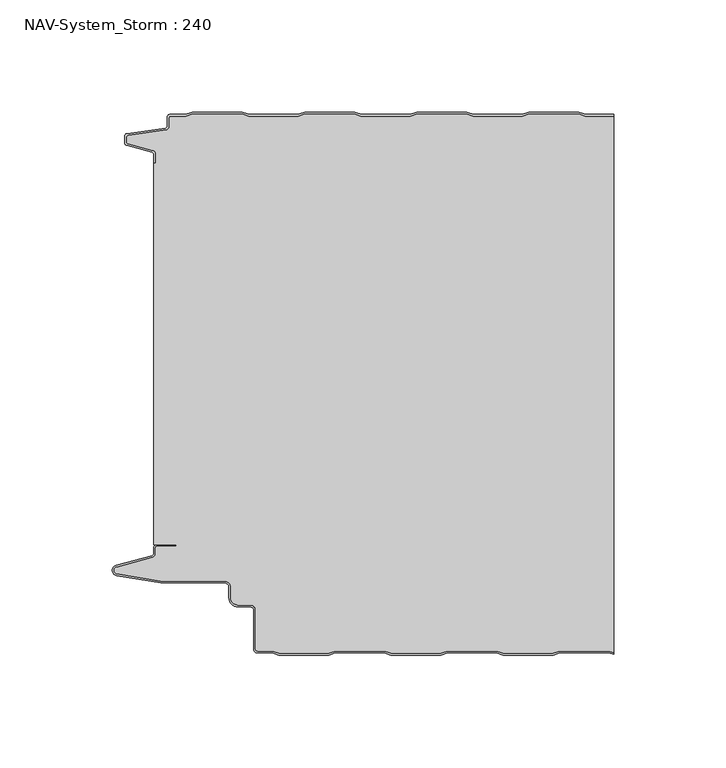
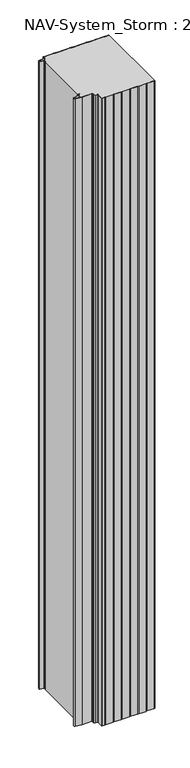
"""IFC4 building model written with IfcOpenShell, lengths in millimetres: plate geometry, NAV-System_Storm : 240."""

from ifc_helpers import new_model, si_unit, point, frame, frame_2d, origin, origin_with_axes, place, context, project, spatial, polyline, circle_curve, trimmed, segment, composite_curve, outline, extrude, source, transform, mapped, element, save
from ifc_brep_helpers import plane_surface, cylinder_surface, revolved_surface, advanced_brep


def nav_system_storm_240_f7c070b3(model_context):
    return source(origin(), model_context, "Body", "SolidModel", [
        extrude(outline(composite_curve([segment(polyline([(86.8684174, -0.8), (83.8684174, 0.2), (61.8684174, 0.2), (58.8684174, -0.8), (36.8684174, -0.8), (33.8684174, 0.2), (11.8684174, 0.2), (8.8684174, -0.8), (-13.1315826, -0.8), (-16.1315826, 0.2), (-38.1315826, 0.2), (-41.1315826, -0.8), (-63.1315826, -0.8), (-66.1315826, 0.2), (-88.1315826, 0.2), (-91.1315826, -0.8), (-98.2000153, -0.8)]), True, "CONTINUOUS"), segment(trimmed(circle_curve(frame_2d((-98.2000153, -1.3)), 0.5), [point((-98.2000153, -0.8))], [point((-98.7000153, -1.3))], True, "CARTESIAN"), True, "CONTINUOUS"), segment(polyline([(-98.7000153, -1.3), (-98.7000153, -5.3964683)]), True, "CONTINUOUS"), segment(trimmed(circle_curve(frame_2d((-100.2000153, -5.3964683)), 1.5), [point((-98.7000153, -5.3964683))], [point((-99.991136, -6.8818536))], False, "CARTESIAN"), True, "CONTINUOUS"), segment(polyline([(-99.991136, -6.8818536), (-116.9352336, -9.2645825)]), True, "CONTINUOUS"), segment(trimmed(circle_curve(frame_2d((-116.8115062, -10.1444347)), 0.8885091), [point((-116.9352336, -9.2645825))], [point((-117.7000153, -10.1444347))], True, "CARTESIAN"), True, "CONTINUOUS"), segment(polyline([(-117.7000153, -10.1444347), (-117.7000153, -12.46995)]), True, "CONTINUOUS"), segment(trimmed(circle_curve(frame_2d((-117.1000153, -12.46995)), 0.6), [point((-117.7000153, -12.46995))], [point((-117.2553067, -13.0495055))], True, "CARTESIAN"), True, "CONTINUOUS"), segment(polyline([(-117.2553067, -13.0495055), (-105.8785784, -16.0978907)]), True, "CONTINUOUS"), segment(trimmed(circle_curve(frame_2d((-106.266807, -17.5467794)), 1.5), [point((-105.8785784, -16.0978907))], [point((-104.766807, -17.5467794))], False, "CARTESIAN"), True, "CONTINUOUS"), segment(polyline([(-104.766807, -17.5467794), (-104.766807, -21.623446), (-105.566807, -21.623446), (-105.566807, -17.5467794)]), True, "CONTINUOUS"), segment(trimmed(circle_curve(frame_2d((-106.266807, -17.5467794)), 0.7), [point((-105.566807, -17.5467794))], [point((-106.0856337, -16.8706313))], True, "CARTESIAN"), True, "CONTINUOUS"), segment(polyline([(-106.0856337, -16.8706313), (-117.53648, -13.8023863)]), True, "CONTINUOUS"), segment(trimmed(circle_curve(frame_2d((-117.2000153, -12.5466827)), 1.3), [point((-117.53648, -13.8023863))], [point((-118.5000153, -12.5466827))], False, "CARTESIAN"), True, "CONTINUOUS"), segment(polyline([(-118.5000153, -12.5466827), (-118.5000153, -9.8067363)]), True, "CONTINUOUS"), segment(trimmed(circle_curve(frame_2d((-117.2000153, -9.8067363)), 1.3), [point((-118.5000153, -9.8067363))], [point((-117.3810439, -8.5194024))], False, "CARTESIAN"), True, "CONTINUOUS"), segment(polyline([(-117.3810439, -8.5194024), (-100.1025383, -6.0896481)]), True, "CONTINUOUS"), segment(trimmed(circle_curve(frame_2d((-100.2000153, -5.3964683)), 0.7), [point((-100.1025383, -6.0896481))], [point((-99.5000153, -5.3964683))], True, "CARTESIAN"), True, "CONTINUOUS"), segment(polyline([(-99.5000153, -5.3964683), (-99.5000153, -1.3)]), True, "CONTINUOUS"), segment(trimmed(circle_curve(frame_2d((-98.2000153, -1.3)), 1.3), [point((-99.5000153, -1.3))], [point((-98.2000153, 0.0))], False, "CARTESIAN"), True, "CONTINUOUS"), segment(polyline([(-98.2000153, 0.0), (-91.2614047, 0.0), (-88.2614047, 1.0), (-66.0017605, 1.0), (-63.0017605, 0.0), (-41.2614047, 0.0), (-38.2614047, 1.0), (-16.0017605, 1.0), (-13.0017605, 0.0), (8.7385953, 0.0), (11.7385953, 1.0), (33.9982395, 1.0), (36.9982395, 0.0), (58.7385953, 0.0), (61.7385953, 1.0), (83.9982395, 1.0), (86.9982395, 0.0), (99.5, 0.0), (99.5, -0.8), (86.8684174, -0.8)]), True, "CONTINUOUS")], self_intersect=False)), origin_with_axes(), (0.0, 0.0, 1.0), 2000.0),
        advanced_brep(
        [(86.8684327, -0.8, 2000.0), (83.8684327, 0.2, 2000.0), (61.8684327, 0.2, 2000.0), (58.8684327, -0.8, 2000.0), (36.8684327, -0.8, 2000.0), (33.8684327, 0.2, 2000.0), (11.8684327, 0.2, 2000.0), (8.8684327, -0.8, 2000.0), (-13.1315673, -0.8, 2000.0), (-16.1315673, 0.2, 2000.0), (-38.1315673, 0.2, 2000.0), (-41.1315673, -0.8, 2000.0), (-63.1315673, -0.8, 2000.0), (-66.1315673, 0.2, 2000.0), (-88.1315673, 0.2, 2000.0), (-91.1315673, -0.8, 2000.0), (-98.2, -0.8, 2000.0), (-98.7, -1.3, 2000.0), (-98.7, -5.3964683, 2000.0), (-99.9911207, -6.8818536, 2000.0), (-116.9352183, -9.2645825, 2000.0), (-117.7, -10.1444347, 2000.0), (-117.7, -12.46995, 2000.0), (-117.2552914, -13.0495055, 2000.0), (-105.8785632, -16.0978907, 2000.0), (-104.7667917, -17.5467794, 2000.0), (-104.7667917, -21.623446, 2000.0), (-105.5667917, -21.623446, 2000.0), (-105.5667917, -191.7763253, 2000.0), (-95.5330891, -191.7763253, 2000.0), (-95.5330891, -192.5763253, 2000.0), (-104.0330891, -192.5763253, 2000.0), (-104.7330891, -193.2763253, 2000.0), (-104.7330891, -195.8624192, 2000.0), (-105.9560377, -197.4561968, 2000.0), (-122.0574978, -201.8079393, 2000.0), (-121.9021816, -204.8341065, 2000.0), (-102.4332334, -208.0040626, 2000.0), (-73.9661198, -208.0040626, 2000.0), (-71.1661198, -210.806803, 2000.0), (-71.1661198, -215.5, 2000.0), (-67.9661198, -218.7, 2000.0), (-62.4661198, -218.7, 2000.0), (-60.1661198, -221.0, 2000.0), (-60.1661198, -238.2484002, 2000.0), (-59.2161211, -239.2, 2000.0), (-52.5977024, -239.2, 2000.0), (-49.5977024, -240.2, 2000.0), (-27.5977024, -240.2, 2000.0), (-24.5977024, -239.2, 2000.0), (-2.5977024, -239.2, 2000.0), (0.4022976, -240.2, 2000.0), (22.4022976, -240.2, 2000.0), (25.4022976, -239.2, 2000.0), (47.4022976, -239.2, 2000.0), (50.4022976, -240.2, 2000.0), (72.4022976, -240.2, 2000.0), (75.4022976, -239.2, 2000.0), (97.4022976, -239.2, 2000.0), (99.5, -239.8992341, 2000.0), (99.5, -0.8, 2000.0), (97.4022976, -239.2, 0.0), (75.4022976, -239.2, 0.0), (72.4022976, -240.2, 0.0), (50.4022976, -240.2, 0.0), (47.4022976, -239.2, 0.0), (25.4022976, -239.2, 0.0), (22.4022976, -240.2, 0.0), (0.4022976, -240.2, 0.0), (-2.5977024, -239.2, 0.0), (-24.5977024, -239.2, 0.0), (-27.5977024, -240.2, 0.0), (-49.5977024, -240.2, 0.0), (-52.5977024, -239.2, 0.0), (-59.2161211, -239.2, 0.0), (-60.1661198, -238.2484002, 0.0), (-60.1661198, -221.0, 0.0), (-62.4661198, -218.7, 0.0), (-67.9661198, -218.7, 0.0), (-71.1661198, -215.5, 0.0), (-71.1661198, -210.806803, 0.0), (-73.9661198, -208.006803, 0.0), (-102.4332334, -208.0040626, 0.0), (-121.9021816, -204.8341065, 0.0), (-122.0574978, -201.8079393, 0.0), (-105.9560377, -197.4561968, 0.0), (-104.7330891, -195.8624192, 0.0), (-104.7330891, -193.2763253, 0.0), (-104.0330891, -192.5763253, 0.0), (-95.5330891, -192.5763253, 0.0), (-95.5330891, -191.7763253, 0.0), (-105.5667917, -191.7763253, 0.0), (-105.5667917, -21.623446, 0.0), (-104.7667917, -21.623446, 0.0), (-104.7667917, -17.5467794, 0.0), (-105.8785632, -16.0978907, 0.0), (-117.2552914, -13.0495055, 0.0), (-117.7, -12.46995, 0.0), (-117.7, -10.1444347, 0.0), (-116.9352183, -9.2645825, 0.0), (-99.9911207, -6.8818536, 0.0), (-98.7, -5.3964683, 0.0), (-98.7, -1.3, 0.0), (-98.2, -0.8, 0.0), (-91.1315673, -0.8, 0.0), (-88.1315673, 0.2, 0.0), (-66.1315673, 0.2, 0.0), (-63.1315673, -0.8, 0.0), (-41.1315673, -0.8, 0.0), (-38.1315673, 0.2, 0.0), (-16.1315673, 0.2, 0.0), (-13.1315673, -0.8, 0.0), (8.8684327, -0.8, 0.0), (11.8684327, 0.2, 0.0), (33.8684327, 0.2, 0.0), (36.8684327, -0.8, 0.0), (58.8684327, -0.8, 0.0), (61.8684327, 0.2, 0.0), (83.8684327, 0.2, 0.0), (86.8684327, -0.8, 0.0), (99.5, -0.8, 0.0), (99.5, -239.8992341, 0.0)],
        [
            (0, 1),
            (1, 2),
            (2, 3),
            (3, 4),
            (4, 5),
            (5, 6),
            (6, 7),
            (7, 8),
            (8, 9),
            (9, 10),
            (10, 11),
            (11, 12),
            (12, 13),
            (13, 14),
            (14, 15),
            (15, 16),
            (16, 17, circle_curve(frame((-98.2, -1.3, 2000.0), z_axis=(0.0, 0.0, 1.0), x_axis=(1.0, 0.0, 0.0)), 0.5)),
            (17, 18),
            (18, 19, circle_curve(frame((-100.2, -5.3964683, 2000.0), z_axis=(0.0, 0.0, -1.0), x_axis=(1.0, 0.0, 0.0)), 1.5)),
            (19, 20),
            (20, 21, circle_curve(frame((-116.8114909, -10.1444347, 2000.0), z_axis=(0.0, 0.0, 1.0), x_axis=(1.0, 0.0, 0.0)), 0.8885091)),
            (21, 22),
            (22, 23, circle_curve(frame((-117.1, -12.46995, 2000.0), z_axis=(0.0, 0.0, 1.0), x_axis=(1.0, 0.0, 0.0)), 0.6)),
            (23, 24),
            (24, 25, circle_curve(frame((-106.2667917, -17.5467794, 2000.0), z_axis=(0.0, 0.0, -1.0), x_axis=(1.0, 0.0, 0.0)), 1.5)),
            (25, 26),
            (26, 27),
            (27, 28),
            (28, 29),
            (29, 30),
            (30, 31),
            (31, 32, circle_curve(frame((-104.0330891, -193.2763253, 2000.0), z_axis=(0.0, 0.0, 1.0), x_axis=(1.0, 0.0, 0.0)), 0.7)),
            (32, 33),
            (33, 34, circle_curve(frame((-106.3830891, -195.8624192, 2000.0), z_axis=(0.0, 0.0, -1.0), x_axis=(1.0, 0.0, 0.0)), 1.65)),
            (34, 35),
            (35, 36, circle_curve(frame((-121.6530891, -203.3042526, 2000.0), z_axis=(0.0, 0.0, 1.0), x_axis=(1.0, 0.0, 0.0)), 1.55)),
            (36, 37),
            (37, 38),
            (38, 39, circle_curve(frame((-73.9661198, -210.806803, 2000.0), z_axis=(0.0, 0.0, -1.0), x_axis=(1.0, 0.0, 0.0)), 2.8)),
            (39, 40),
            (40, 41, circle_curve(frame((-67.9661198, -215.5, 2000.0), z_axis=(0.0, 0.0, 1.0), x_axis=(1.0, 0.0, 0.0)), 3.2)),
            (41, 42),
            (42, 43, circle_curve(frame((-62.4661198, -221.0, 2000.0), z_axis=(0.0, 0.0, -1.0), x_axis=(1.0, 0.0, 0.0)), 2.3)),
            (43, 44),
            (44, 45, circle_curve(frame((-59.2161211, -238.25, 2000.0), z_axis=(0.0, 0.0, 1.0), x_axis=(1.0, 0.0, 0.0)), 0.95)),
            (45, 46),
            (46, 47),
            (47, 48),
            (48, 49),
            (49, 50),
            (50, 51),
            (51, 52),
            (52, 53),
            (53, 54),
            (54, 55),
            (55, 56),
            (56, 57),
            (57, 58),
            (58, 59),
            (59, 60),
            (60, 0),
            (61, 62),
            (62, 63),
            (63, 64),
            (64, 65),
            (65, 66),
            (66, 67),
            (67, 68),
            (68, 69),
            (69, 70),
            (70, 71),
            (71, 72),
            (72, 73),
            (73, 74),
            (74, 75, circle_curve(frame((-59.2161211, -238.25, 0.0), z_axis=(0.0, 0.0, -1.0), x_axis=(1.0, 0.0, 0.0)), 0.95)),
            (75, 76),
            (76, 77, circle_curve(frame((-62.4661198, -221.0, 0.0), z_axis=(0.0, 0.0, 1.0), x_axis=(1.0, 0.0, 0.0)), 2.3)),
            (77, 78),
            (78, 79, circle_curve(frame((-67.9661198, -215.5, 0.0), z_axis=(0.0, 0.0, -1.0), x_axis=(1.0, 0.0, 0.0)), 3.2)),
            (79, 80),
            (80, 81, circle_curve(frame((-73.9661198, -210.806803, 0.0), z_axis=(0.0, 0.0, 1.0), x_axis=(1.0, 0.0, 0.0)), 2.8)),
            (81, 82),
            (82, 83),
            (83, 84, circle_curve(frame((-121.6530891, -203.3042526, 0.0), z_axis=(0.0, 0.0, -1.0), x_axis=(1.0, 0.0, 0.0)), 1.55)),
            (84, 85),
            (85, 86, circle_curve(frame((-106.3830891, -195.8624192, 0.0), z_axis=(0.0, 0.0, 1.0), x_axis=(1.0, 0.0, 0.0)), 1.65)),
            (86, 87),
            (87, 88, circle_curve(frame((-104.0330891, -193.2763253, 0.0), z_axis=(0.0, 0.0, -1.0), x_axis=(1.0, 0.0, 0.0)), 0.7)),
            (88, 89),
            (89, 90),
            (90, 91),
            (91, 92),
            (92, 93),
            (93, 94),
            (94, 95, circle_curve(frame((-106.2667917, -17.5467794, 0.0), z_axis=(0.0, 0.0, 1.0), x_axis=(1.0, 0.0, 0.0)), 1.5)),
            (95, 96),
            (96, 97, circle_curve(frame((-117.1, -12.46995, 0.0), z_axis=(0.0, 0.0, -1.0), x_axis=(1.0, 0.0, 0.0)), 0.6)),
            (97, 98),
            (98, 99, circle_curve(frame((-116.8114909, -10.1444347, 0.0), z_axis=(0.0, 0.0, -1.0), x_axis=(1.0, 0.0, 0.0)), 0.8885091)),
            (99, 100),
            (100, 101, circle_curve(frame((-100.2, -5.3964683, 0.0), z_axis=(0.0, 0.0, 1.0), x_axis=(1.0, 0.0, 0.0)), 1.5)),
            (101, 102),
            (102, 103, circle_curve(frame((-98.2, -1.3, 0.0), z_axis=(0.0, 0.0, -1.0), x_axis=(1.0, 0.0, 0.0)), 0.5)),
            (103, 104),
            (104, 105),
            (105, 106),
            (106, 107),
            (107, 108),
            (108, 109),
            (109, 110),
            (110, 111),
            (111, 112),
            (112, 113),
            (113, 114),
            (114, 115),
            (115, 116),
            (116, 117),
            (117, 118),
            (118, 119),
            (119, 120),
            (120, 121),
            (121, 61),
            (119, 0),
            (60, 120),
            (118, 1),
            (117, 2),
            (116, 3),
            (115, 4),
            (114, 5),
            (113, 6),
            (112, 7),
            (111, 8),
            (110, 9),
            (109, 10),
            (108, 11),
            (107, 12),
            (106, 13),
            (105, 14),
            (104, 15),
            (103, 16),
            (102, 17),
            (101, 18),
            (100, 19),
            (99, 20),
            (98, 21),
            (97, 22),
            (96, 23),
            (95, 24),
            (94, 25),
            (93, 26),
            (92, 27),
            (91, 28),
            (90, 29),
            (89, 30),
            (88, 31),
            (87, 32),
            (86, 33),
            (85, 34),
            (84, 35),
            (83, 36),
            (82, 37),
            (81, 38),
            (80, 39),
            (79, 40),
            (78, 41),
            (77, 42),
            (76, 43),
            (75, 44),
            (74, 45),
            (73, 46),
            (72, 47),
            (71, 48),
            (70, 49),
            (69, 50),
            (68, 51),
            (67, 52),
            (66, 53),
            (65, 54),
            (64, 55),
            (63, 56),
            (62, 57),
            (61, 58),
            (121, 59),
        ],
        [
            plane_surface(frame((-99.5, 0.0, 2000.0), z_axis=(0.0, 0.0, 1.0), x_axis=(0.0, -1.0, 0.0))),
            plane_surface(frame((-99.5, 0.0, 0.0), z_axis=(0.0, 0.0, -1.0), x_axis=(0.0, -1.0, 0.0))),
            plane_surface(frame((108.8684327, -0.8, 2000.0), z_axis=(0.0, 1.0, 0.0), x_axis=(0.0, 0.0, -1.0))),
            plane_surface(frame((86.8684327, -0.8, 2000.0), z_axis=(0.3162277660167034, 0.9486832980505586, 0.0), x_axis=(0.0, 0.0, -1.0))),
            plane_surface(frame((83.8684327, 0.2, 2000.0), z_axis=(0.0, 1.0, 0.0), x_axis=(0.0, 0.0, -1.0))),
            plane_surface(frame((61.8684327, 0.2, 2000.0), z_axis=(-0.3162277660167478, 0.948683298050544, 0.0), x_axis=(0.0, 0.0, -1.0))),
            plane_surface(frame((58.8684327, -0.8, 2000.0), z_axis=(0.0, 1.0, 0.0), x_axis=(0.0, 0.0, -1.0))),
            plane_surface(frame((36.8684327, -0.8, 2000.0), z_axis=(0.3162277660167612, 0.9486832980505394, 0.0), x_axis=(0.0, 0.0, -1.0))),
            plane_surface(frame((33.8684327, 0.2, 2000.0), z_axis=(0.0, 1.0, 0.0), x_axis=(0.0, 0.0, -1.0))),
            plane_surface(frame((11.8684327, 0.2, 2000.0), z_axis=(-0.3162277660168056, 0.9486832980505246, 0.0), x_axis=(0.0, 0.0, -1.0))),
            plane_surface(frame((8.8684327, -0.8, 2000.0), z_axis=(0.0, 1.0, 0.0), x_axis=(0.0, 0.0, -1.0))),
            plane_surface(frame((-13.1315673, -0.8, 2000.0), z_axis=(0.3162277660167548, 0.9486832980505415, 0.0), x_axis=(0.0, 0.0, -1.0))),
            plane_surface(frame((-16.1315673, 0.2, 2000.0), z_axis=(0.0, 1.0, 0.0), x_axis=(0.0, 0.0, -1.0))),
            plane_surface(frame((-38.1315673, 0.2, 2000.0), z_axis=(-0.31622776601682484, 0.9486832980505183, 0.0), x_axis=(0.0, 0.0, -1.0))),
            plane_surface(frame((-41.1315673, -0.8, 2000.0), z_axis=(0.0, 1.0, 0.0), x_axis=(0.0, 0.0, -1.0))),
            plane_surface(frame((-63.1315673, -0.8, 2000.0), z_axis=(0.3162277660167034, 0.9486832980505586, 0.0), x_axis=(0.0, 0.0, -1.0))),
            plane_surface(frame((-66.1315673, 0.2, 2000.0), z_axis=(0.0, 1.0, 0.0), x_axis=(0.0, 0.0, -1.0))),
            plane_surface(frame((-88.1315673, 0.2, 2000.0), z_axis=(-0.31622776601670927, 0.9486832980505567, 0.0), x_axis=(0.0, 0.0, -1.0))),
            plane_surface(frame((-91.1315673, -0.8, 2000.0), z_axis=(0.0, 1.0, 0.0), x_axis=(0.0, 0.0, -1.0))),
            cylinder_surface(frame((-98.2, -1.3, 2000.0), z_axis=(0.0, 0.0, 1.0), x_axis=(1.0, 0.0, 0.0)), 0.5),
            plane_surface(frame((-98.7, -1.3, 2000.0), z_axis=(-1.0, 0.0, 0.0), x_axis=(0.0, 0.0, -1.0))),
            revolved_surface(polyline([(-98.7, -5.3964683, 0.0), (-98.7, -5.3964683, 2000.0)]), (-100.2, -5.3964683, 2000.0), (0.0, 0.0, -1.0)),
            plane_surface(frame((-99.9911207, -6.8818536, 2000.0), z_axis=(-0.13925283650469739, 0.9902568593680107, 0.0), x_axis=(0.0, 0.0, -1.0))),
            cylinder_surface(frame((-116.8114909, -10.1444347, 2000.0), z_axis=(0.0, 0.0, 1.0), x_axis=(1.0, 0.0, 0.0)), 0.8885091),
            plane_surface(frame((-117.7, -10.1444347, 2000.0), z_axis=(-1.0, 0.0, 0.0), x_axis=(0.0, 0.0, -1.0))),
            cylinder_surface(frame((-117.1, -12.46995, 2000.0), z_axis=(0.0, 0.0, 1.0), x_axis=(1.0, 0.0, 0.0)), 0.6),
            plane_surface(frame((-117.2552914, -13.0495055, 2000.0), z_axis=(-0.2588190451027143, -0.9659258262890165, 0.0), x_axis=(0.0, 0.0, -1.0))),
            revolved_surface(polyline([(-104.7667917, -17.5467794, 0.0), (-104.7667917, -17.5467794, 2000.0)]), (-106.2667917, -17.5467794, 2000.0), (0.0, 0.0, -1.0)),
            plane_surface(frame((-104.7667917, -17.5467794, 2000.0), z_axis=(-1.0, 0.0, 0.0), x_axis=(0.0, 0.0, -1.0))),
            plane_surface(frame((-104.7667917, -21.623446, 2000.0), z_axis=(0.0, 1.0, 0.0), x_axis=(0.0, 0.0, -1.0))),
            plane_surface(frame((-105.5667917, -21.623446, 2000.0), z_axis=(-1.0, 0.0, 0.0), x_axis=(0.0, 0.0, -1.0))),
            plane_surface(frame((-105.5667917, -191.7763253, 2000.0), z_axis=(0.0, -1.0, 0.0), x_axis=(0.0, 0.0, -1.0))),
            plane_surface(frame((-95.5330891, -191.7763253, 2000.0), z_axis=(-1.0, 0.0, 0.0), x_axis=(0.0, 0.0, -1.0))),
            plane_surface(frame((-95.5330891, -192.5763253, 2000.0), z_axis=(0.0, 1.0, 0.0), x_axis=(0.0, 0.0, -1.0))),
            cylinder_surface(frame((-104.0330891, -193.2763253, 2000.0), z_axis=(0.0, 0.0, 1.0), x_axis=(1.0, 0.0, 0.0)), 0.7),
            plane_surface(frame((-104.7330891, -193.2763253, 2000.0), z_axis=(-1.0, 0.0, 0.0), x_axis=(0.0, 0.0, -1.0))),
            revolved_surface(polyline([(-104.7330891, -195.8624192, 0.0), (-104.7330891, -195.8624192, 2000.0)]), (-106.3830891, -195.8624192, 2000.0), (0.0, 0.0, -1.0)),
            plane_surface(frame((-105.9560377, -197.4561968, 2000.0), z_axis=(-0.26090882701696627, 0.9653634465757603, 0.0), x_axis=(0.0, 0.0, -1.0))),
            cylinder_surface(frame((-121.6530891, -203.3042526, 2000.0), z_axis=(0.0, 0.0, 1.0), x_axis=(1.0, 0.0, 0.0)), 1.55),
            plane_surface(frame((-121.9021816, -204.8341065, 2000.0), z_axis=(-0.16070486280341942, -0.9870025061119826, 0.0), x_axis=(0.0, 0.0, -1.0))),
            plane_surface(frame((-102.4332334, -208.0040626, 2000.0), z_axis=(0.0, -1.0, 0.0), x_axis=(0.0, 0.0, -1.0))),
            revolved_surface(polyline([(-71.1661198, -210.806803, 0.0), (-71.1661198, -210.806803, 2000.0)]), (-73.9661198, -210.806803, 2000.0), (0.0, 0.0, -1.0)),
            plane_surface(frame((-71.1661198, -210.806803, 2000.0), z_axis=(-1.0, 0.0, 0.0), x_axis=(0.0, 0.0, -1.0))),
            cylinder_surface(frame((-67.9661198, -215.5, 2000.0), z_axis=(0.0, 0.0, 1.0), x_axis=(1.0, 0.0, 0.0)), 3.2),
            plane_surface(frame((-67.9661198, -218.7, 2000.0), z_axis=(0.0, -1.0, 0.0), x_axis=(0.0, 0.0, -1.0))),
            revolved_surface(polyline([(-60.166119800000004, -221.0, 0.0), (-60.166119800000004, -221.0, 2000.0)]), (-62.4661198, -221.0, 2000.0), (0.0, 0.0, -1.0)),
            plane_surface(frame((-60.1661198, -221.0, 2000.0), z_axis=(-1.0, 0.0, 0.0), x_axis=(0.0, 0.0, -1.0))),
            cylinder_surface(frame((-59.2161211, -238.25, 2000.0), z_axis=(0.0, 0.0, 1.0), x_axis=(1.0, 0.0, 0.0)), 0.95),
            plane_surface(frame((-59.2161211, -239.2, 2000.0), z_axis=(0.0, -1.0, 0.0), x_axis=(0.0, 0.0, -1.0))),
            plane_surface(frame((-52.5977024, -239.2, 2000.0), z_axis=(-0.31622776601835, -0.9486832980500098, 0.0), x_axis=(0.0, 0.0, -1.0))),
            plane_surface(frame((-49.5977024, -240.2, 2000.0), z_axis=(0.0, -1.0, 0.0), x_axis=(0.0, 0.0, -1.0))),
            plane_surface(frame((-27.5977024, -240.2, 2000.0), z_axis=(0.3162277660167256, -0.9486832980505513, 0.0), x_axis=(0.0, 0.0, -1.0))),
            plane_surface(frame((-24.5977024, -239.2, 2000.0), z_axis=(0.0, -1.0, 0.0), x_axis=(0.0, 0.0, -1.0))),
            plane_surface(frame((-2.5977024, -239.2, 2000.0), z_axis=(-0.31622776601678015, -0.9486832980505331, 0.0), x_axis=(0.0, 0.0, -1.0))),
            plane_surface(frame((0.4022976, -240.2, 2000.0), z_axis=(0.0, -1.0, 0.0), x_axis=(0.0, 0.0, -1.0))),
            plane_surface(frame((22.4022976, -240.2, 2000.0), z_axis=(0.3162277660167994, -0.9486832980505266, 0.0), x_axis=(0.0, 0.0, -1.0))),
            plane_surface(frame((25.4022976, -239.2, 2000.0), z_axis=(0.0, -1.0, 0.0), x_axis=(0.0, 0.0, -1.0))),
            plane_surface(frame((47.4022976, -239.2, 2000.0), z_axis=(-0.31622776601679625, -0.9486832980505278, 0.0), x_axis=(0.0, 0.0, -1.0))),
            plane_surface(frame((50.4022976, -240.2, 2000.0), z_axis=(0.0, -1.0, 0.0), x_axis=(0.0, 0.0, -1.0))),
            plane_surface(frame((72.4022976, -240.2, 2000.0), z_axis=(0.31622776601678015, -0.9486832980505331, 0.0), x_axis=(0.0, 0.0, -1.0))),
            plane_surface(frame((75.4022976, -239.2, 2000.0), z_axis=(0.0, -1.0, 0.0), x_axis=(0.0, 0.0, -1.0))),
            plane_surface(frame((97.4022976, -239.2, 2000.0), z_axis=(-0.3162277660167352, -0.9486832980505481, 0.0), x_axis=(0.0, 0.0, -1.0))),
            plane_surface(frame((99.5, 100.0, 2000.0), z_axis=(1.0, 0.0, 0.0), x_axis=(0.0, 0.0, -1.0))),
        ],
        [
            (0, [[1, 2, 3, 4, 5, 6, 7, 8, 9, 10, 11, 12, 13, 14, 15, 16, 17, 18, 19, 20, 21, 22, 23, 24, 25, 26, 27, 28, 29, 30, 31, 32, 33, 34, 35, 36, 37, 38, 39, 40, 41, 42, 43, 44, 45, 46, 47, 48, 49, 50, 51, 52, 53, 54, 55, 56, 57, 58, 59, 60, 61]]),
            (1, [[62, 63, 64, 65, 66, 67, 68, 69, 70, 71, 72, 73, 74, 75, 76, 77, 78, 79, 80, 81, 82, 83, 84, 85, 86, 87, 88, 89, 90, 91, 92, 93, 94, 95, 96, 97, 98, 99, 100, 101, 102, 103, 104, 105, 106, 107, 108, 109, 110, 111, 112, 113, 114, 115, 116, 117, 118, 119, 120, 121, 122]]),
            (2, [[123, -61, 124, -120]]),
            (3, [[-1, -123, -119, 125]]),
            (4, [[-2, -125, -118, 126]]),
            (5, [[-3, -126, -117, 127]]),
            (6, [[-4, -127, -116, 128]]),
            (7, [[-5, -128, -115, 129]]),
            (8, [[-6, -129, -114, 130]]),
            (9, [[-7, -130, -113, 131]]),
            (10, [[-8, -131, -112, 132]]),
            (11, [[-9, -132, -111, 133]]),
            (12, [[-10, -133, -110, 134]]),
            (13, [[-11, -134, -109, 135]]),
            (14, [[-12, -135, -108, 136]]),
            (15, [[-13, -136, -107, 137]]),
            (16, [[-14, -137, -106, 138]]),
            (17, [[-15, -138, -105, 139]]),
            (18, [[-16, -139, -104, 140]]),
            (19, [[-17, -140, -103, 141]]),
            (20, [[-18, -141, -102, 142]]),
            (21, [[-19, -142, -101, 143]]),
            (22, [[-20, -143, -100, 144]]),
            (23, [[-21, -144, -99, 145]]),
            (24, [[-22, -145, -98, 146]]),
            (25, [[-23, -146, -97, 147]]),
            (26, [[-24, -147, -96, 148]]),
            (27, [[-25, -148, -95, 149]]),
            (28, [[-26, -149, -94, 150]]),
            (29, [[-27, -150, -93, 151]]),
            (30, [[-28, -151, -92, 152]]),
            (31, [[-29, -152, -91, 153]]),
            (32, [[-30, -153, -90, 154]]),
            (33, [[-31, -154, -89, 155]]),
            (34, [[-32, -155, -88, 156]]),
            (35, [[-33, -156, -87, 157]]),
            (36, [[-34, -157, -86, 158]]),
            (37, [[-35, -158, -85, 159]]),
            (38, [[-36, -159, -84, 160]]),
            (39, [[-37, -160, -83, 161]]),
            (40, [[-38, -161, -82, 162]]),
            (41, [[-39, -162, -81, 163]]),
            (42, [[-40, -163, -80, 164]]),
            (43, [[-41, -164, -79, 165]]),
            (44, [[-42, -165, -78, 166]]),
            (45, [[-43, -166, -77, 167]]),
            (46, [[-44, -167, -76, 168]]),
            (47, [[-45, -168, -75, 169]]),
            (48, [[-46, -169, -74, 170]]),
            (49, [[-47, -170, -73, 171]]),
            (50, [[-48, -171, -72, 172]]),
            (51, [[-49, -172, -71, 173]]),
            (52, [[-50, -173, -70, 174]]),
            (53, [[-51, -174, -69, 175]]),
            (54, [[-52, -175, -68, 176]]),
            (55, [[-53, -176, -67, 177]]),
            (56, [[-54, -177, -66, 178]]),
            (57, [[-55, -178, -65, 179]]),
            (58, [[-56, -179, -64, 180]]),
            (59, [[-57, -180, -63, 181]]),
            (60, [[-58, -181, -62, 182]]),
            (61, [[-182, -122, 183, -59]]),
            (62, [[-60, -183, -121, -124]]),
        ],
    ),
        advanced_brep(
        [(97.3684174, -239.2, 2000.0), (75.3684174, -239.2, 2000.0), (72.3684174, -240.2, 2000.0), (50.3684174, -240.2, 2000.0), (47.3684174, -239.2, 2000.0), (25.3684174, -239.2, 2000.0), (22.3684174, -240.2, 2000.0), (0.3684174, -240.2, 2000.0), (-2.6315826, -239.2, 2000.0), (-24.6315826, -239.2, 2000.0), (-27.6315826, -240.2, 2000.0), (-49.6315826, -240.2, 2000.0), (-52.6315826, -239.2, 2000.0), (-59.2500013, -239.2, 2000.0), (-60.2, -238.2484002, 2000.0), (-60.2, -221.0, 2000.0), (-62.5, -218.7, 2000.0), (-68.0, -218.7, 2000.0), (-71.2, -215.5, 2000.0), (-71.2, -210.806803, 2000.0), (-74.0, -208.006803, 2000.0), (-102.4671136, -208.0040626, 2000.0), (-121.9360619, -204.8341065, 2000.0), (-122.091378, -201.8079393, 2000.0), (-105.9899179, -197.4561968, 2000.0), (-104.7669693, -195.8624192, 2000.0), (-104.7669693, -193.2763253, 2000.0), (-104.0669693, -192.5763253, 2000.0), (-95.5669693, -192.5763253, 2000.0), (-95.5669693, -191.7763253, 2000.0), (-104.0669693, -191.7763253, 2000.0), (-105.5669693, -193.2763253, 2000.0), (-105.5669693, -195.9006976, 2000.0), (-106.1582424, -196.6729884, 2000.0), (-122.3001048, -201.0356484, 2000.0), (-122.0646249, -205.6237086, 2000.0), (-102.4341193, -208.806803, 2000.0), (-74.0, -208.806803, 2000.0), (-72.0, -210.806803, 2000.0), (-72.0, -215.5, 2000.0), (-68.0, -219.5, 2000.0), (-62.5, -219.5, 2000.0), (-61.0, -221.0, 2000.0), (-61.0, -238.2478286, 2000.0), (-59.2500013, -240.0, 2000.0), (-52.7614047, -240.0, 2000.0), (-49.7614047, -241.0, 2000.0), (-27.5017605, -241.0, 2000.0), (-24.5017605, -240.0, 2000.0), (-2.7614047, -240.0, 2000.0), (0.2385953, -241.0, 2000.0), (22.4982395, -241.0, 2000.0), (25.4982395, -240.0, 2000.0), (47.2385953, -240.0, 2000.0), (50.2385953, -241.0, 2000.0), (72.4982395, -241.0, 2000.0), (75.4982395, -240.0, 2000.0), (97.2385953, -240.0, 2000.0), (99.5, -240.7538016, 2000.0), (99.5, -239.9105275, 2000.0), (97.2385953, -240.0, 0.0), (75.4982395, -240.0, 0.0), (72.4982395, -241.0, 0.0), (50.2385953, -241.0, 0.0), (47.2385953, -240.0, 0.0), (25.4982395, -240.0, 0.0), (22.4982395, -241.0, 0.0), (0.2385953, -241.0, 0.0), (-2.7614047, -240.0, 0.0), (-24.5017605, -240.0, 0.0), (-27.5017605, -241.0, 0.0), (-49.7614047, -241.0, 0.0), (-52.7614047, -240.0, 0.0), (-59.2500013, -240.0, 0.0), (-61.0, -238.2478286, 0.0), (-61.0, -221.0, 0.0), (-62.5, -219.5, 0.0), (-68.0, -219.5, 0.0), (-72.0, -215.5, 0.0), (-72.0, -210.806803, 0.0), (-74.0, -208.806803, 0.0), (-102.4341193, -208.806803, 0.0), (-122.0646249, -205.6237086, 0.0), (-122.3001048, -201.0356484, 0.0), (-106.1582424, -196.6729884, 0.0), (-105.5669693, -195.9006976, 0.0), (-105.5669693, -193.2763253, 0.0), (-104.0669693, -191.7763253, 0.0), (-95.5669693, -191.7763253, 0.0), (-95.5669693, -192.5763253, 0.0), (-104.0669693, -192.5763253, 0.0), (-104.7669693, -193.2763253, 0.0), (-104.7669693, -195.8624192, 0.0), (-105.9899179, -197.4561968, 0.0), (-122.091378, -201.8079393, 0.0), (-121.9360619, -204.8341065, 0.0), (-102.4671136, -208.0040626, 0.0), (-74.0, -208.0040626, 0.0), (-71.2, -210.806803, 0.0), (-71.2, -215.5, 0.0), (-68.0, -218.7, 0.0), (-62.5, -218.7, 0.0), (-60.2, -221.0, 0.0), (-60.2, -238.2484002, 0.0), (-59.2500013, -239.2, 0.0), (-52.6315826, -239.2, 0.0), (-49.6315826, -240.2, 0.0), (-27.6315826, -240.2, 0.0), (-24.6315826, -239.2, 0.0), (-2.6315826, -239.2, 0.0), (0.3684174, -240.2, 0.0), (22.3684174, -240.2, 0.0), (25.3684174, -239.2, 0.0), (47.3684174, -239.2, 0.0), (50.3684174, -240.2, 0.0), (72.3684174, -240.2, 0.0), (75.3684174, -239.2, 0.0), (97.3684174, -239.2, 0.0), (99.5, -239.9105275, 0.0), (99.5, -240.7538016, 0.0)],
        [
            (0, 1),
            (1, 2),
            (2, 3),
            (3, 4),
            (4, 5),
            (5, 6),
            (6, 7),
            (7, 8),
            (8, 9),
            (9, 10),
            (10, 11),
            (11, 12),
            (12, 13),
            (13, 14, circle_curve(frame((-59.2500013, -238.25, 2000.0), z_axis=(0.0, 0.0, -1.0), x_axis=(1.0, 0.0, 0.0)), 0.95)),
            (14, 15),
            (15, 16, circle_curve(frame((-62.5, -221.0, 2000.0), z_axis=(0.0, 0.0, 1.0), x_axis=(1.0, 0.0, 0.0)), 2.3)),
            (16, 17),
            (17, 18, circle_curve(frame((-68.0, -215.5, 2000.0), z_axis=(0.0, 0.0, -1.0), x_axis=(1.0, 0.0, 0.0)), 3.2)),
            (18, 19),
            (19, 20, circle_curve(frame((-74.0, -210.806803, 2000.0), z_axis=(0.0, 0.0, 1.0), x_axis=(1.0, 0.0, 0.0)), 2.8)),
            (20, 21),
            (21, 22),
            (22, 23, circle_curve(frame((-121.6869693, -203.3042526, 2000.0), z_axis=(0.0, 0.0, -1.0), x_axis=(1.0, 0.0, 0.0)), 1.55)),
            (23, 24),
            (24, 25, circle_curve(frame((-106.4169693, -195.8624192, 2000.0), z_axis=(0.0, 0.0, 1.0), x_axis=(1.0, 0.0, 0.0)), 1.65)),
            (25, 26),
            (26, 27, circle_curve(frame((-104.0669693, -193.2763253, 2000.0), z_axis=(0.0, 0.0, -1.0), x_axis=(1.0, 0.0, 0.0)), 0.7)),
            (27, 28),
            (28, 29),
            (29, 30),
            (30, 31, circle_curve(frame((-104.0669693, -193.2763253, 2000.0), z_axis=(0.0, 0.0, 1.0), x_axis=(1.0, 0.0, 0.0)), 1.5)),
            (31, 32),
            (32, 33, circle_curve(frame((-106.3669693, -195.9006976, 2000.0), z_axis=(0.0, 0.0, -1.0), x_axis=(1.0, 0.0, 0.0)), 0.8)),
            (33, 34),
            (34, 35, circle_curve(frame((-121.6869693, -203.3042526, 2000.0), z_axis=(0.0, 0.0, 1.0), x_axis=(1.0, 0.0, 0.0)), 2.35)),
            (35, 36),
            (36, 37),
            (37, 38, circle_curve(frame((-74.0, -210.806803, 2000.0), z_axis=(0.0, 0.0, -1.0), x_axis=(1.0, 0.0, 0.0)), 2.0)),
            (38, 39),
            (39, 40, circle_curve(frame((-68.0, -215.5, 2000.0), z_axis=(0.0, 0.0, 1.0), x_axis=(1.0, 0.0, 0.0)), 4.0)),
            (40, 41),
            (41, 42, circle_curve(frame((-62.5, -221.0, 2000.0), z_axis=(0.0, 0.0, -1.0), x_axis=(1.0, 0.0, 0.0)), 1.5)),
            (42, 43),
            (43, 44, circle_curve(frame((-59.2500013, -238.25, 2000.0), z_axis=(0.0, 0.0, 1.0), x_axis=(1.0, 0.0, 0.0)), 1.75)),
            (44, 45),
            (45, 46),
            (46, 47),
            (47, 48),
            (48, 49),
            (49, 50),
            (50, 51),
            (51, 52),
            (52, 53),
            (53, 54),
            (54, 55),
            (55, 56),
            (56, 57),
            (57, 58),
            (58, 59),
            (59, 0),
            (60, 61),
            (61, 62),
            (62, 63),
            (63, 64),
            (64, 65),
            (65, 66),
            (66, 67),
            (67, 68),
            (68, 69),
            (69, 70),
            (70, 71),
            (71, 72),
            (72, 73),
            (73, 74, circle_curve(frame((-59.2500013, -238.25, 0.0), z_axis=(0.0, 0.0, -1.0), x_axis=(1.0, 0.0, 0.0)), 1.75)),
            (74, 75),
            (75, 76, circle_curve(frame((-62.5, -221.0, 0.0), z_axis=(0.0, 0.0, 1.0), x_axis=(1.0, 0.0, 0.0)), 1.5)),
            (76, 77),
            (77, 78, circle_curve(frame((-68.0, -215.5, 0.0), z_axis=(0.0, 0.0, -1.0), x_axis=(1.0, 0.0, 0.0)), 4.0)),
            (78, 79),
            (79, 80, circle_curve(frame((-74.0, -210.806803, 0.0), z_axis=(0.0, 0.0, 1.0), x_axis=(1.0, 0.0, 0.0)), 2.0)),
            (80, 81),
            (81, 82),
            (82, 83, circle_curve(frame((-121.6869693, -203.3042526, 0.0), z_axis=(0.0, 0.0, -1.0), x_axis=(1.0, 0.0, 0.0)), 2.35)),
            (83, 84),
            (84, 85, circle_curve(frame((-106.3669693, -195.9006976, 0.0), z_axis=(0.0, 0.0, 1.0), x_axis=(1.0, 0.0, 0.0)), 0.8)),
            (85, 86),
            (86, 87, circle_curve(frame((-104.0669693, -193.2763253, 0.0), z_axis=(0.0, 0.0, -1.0), x_axis=(1.0, 0.0, 0.0)), 1.5)),
            (87, 88),
            (88, 89),
            (89, 90),
            (90, 91, circle_curve(frame((-104.0669693, -193.2763253, 0.0), z_axis=(0.0, 0.0, 1.0), x_axis=(1.0, 0.0, 0.0)), 0.7)),
            (91, 92),
            (92, 93, circle_curve(frame((-106.4169693, -195.8624192, 0.0), z_axis=(0.0, 0.0, -1.0), x_axis=(1.0, 0.0, 0.0)), 1.65)),
            (93, 94),
            (94, 95, circle_curve(frame((-121.6869693, -203.3042526, 0.0), z_axis=(0.0, 0.0, 1.0), x_axis=(1.0, 0.0, 0.0)), 1.55)),
            (95, 96),
            (96, 97),
            (97, 98, circle_curve(frame((-74.0, -210.806803, 0.0), z_axis=(0.0, 0.0, -1.0), x_axis=(1.0, 0.0, 0.0)), 2.8)),
            (98, 99),
            (99, 100, circle_curve(frame((-68.0, -215.5, 0.0), z_axis=(0.0, 0.0, 1.0), x_axis=(1.0, 0.0, 0.0)), 3.2)),
            (100, 101),
            (101, 102, circle_curve(frame((-62.5, -221.0, 0.0), z_axis=(0.0, 0.0, -1.0), x_axis=(1.0, 0.0, 0.0)), 2.3)),
            (102, 103),
            (103, 104, circle_curve(frame((-59.2500013, -238.25, 0.0), z_axis=(0.0, 0.0, 1.0), x_axis=(1.0, 0.0, 0.0)), 0.95)),
            (104, 105),
            (105, 106),
            (106, 107),
            (107, 108),
            (108, 109),
            (109, 110),
            (110, 111),
            (111, 112),
            (112, 113),
            (113, 114),
            (114, 115),
            (115, 116),
            (116, 117),
            (117, 118),
            (118, 119),
            (119, 60),
            (44, 73),
            (72, 45),
            (71, 46),
            (70, 47),
            (69, 48),
            (68, 49),
            (67, 50),
            (66, 51),
            (65, 52),
            (64, 53),
            (63, 54),
            (62, 55),
            (61, 56),
            (60, 57),
            (119, 58),
            (117, 0),
            (59, 118),
            (116, 1),
            (115, 2),
            (114, 3),
            (113, 4),
            (112, 5),
            (111, 6),
            (110, 7),
            (109, 8),
            (108, 9),
            (107, 10),
            (106, 11),
            (105, 12),
            (104, 13),
            (103, 14),
            (102, 15),
            (101, 16),
            (100, 17),
            (99, 18),
            (98, 19),
            (97, 20),
            (96, 21),
            (95, 22),
            (94, 23),
            (93, 24),
            (92, 25),
            (91, 26),
            (90, 27),
            (89, 28),
            (88, 29),
            (87, 30),
            (86, 31),
            (85, 32),
            (84, 33),
            (83, 34),
            (82, 35),
            (81, 36),
            (80, 37),
            (79, 38),
            (78, 39),
            (77, 40),
            (76, 41),
            (75, 42),
            (74, 43),
        ],
        [
            plane_surface(frame((-99.5, -240.0, 2000.0), z_axis=(0.0, 0.0, 1.0), x_axis=(-1.0, 0.0, 0.0))),
            plane_surface(frame((-99.5, -240.0, 0.0), z_axis=(0.0, 0.0, -1.0), x_axis=(-1.0, 0.0, 0.0))),
            plane_surface(frame((-59.2500013, -240.0, 2000.0), z_axis=(0.0, -1.0, 0.0), x_axis=(0.0, 0.0, -1.0))),
            plane_surface(frame((-52.7614047, -240.0, 2000.0), z_axis=(-0.3162277660167412, -0.9486832980505461, 0.0), x_axis=(0.0, 0.0, -1.0))),
            plane_surface(frame((-49.7614047, -241.0, 2000.0), z_axis=(0.0, -1.0, 0.0), x_axis=(0.0, 0.0, -1.0))),
            plane_surface(frame((-27.5017605, -241.0, 2000.0), z_axis=(0.3162277660167414, -0.9486832980505461, 0.0), x_axis=(0.0, 0.0, -1.0))),
            plane_surface(frame((-24.5017605, -240.0, 2000.0), z_axis=(0.0, -1.0, 0.0), x_axis=(0.0, 0.0, -1.0))),
            plane_surface(frame((-2.7614047, -240.0, 2000.0), z_axis=(-0.3162277660168044, -0.948683298050525, 0.0), x_axis=(0.0, 0.0, -1.0))),
            plane_surface(frame((0.2385953, -241.0, 2000.0), z_axis=(0.0, -1.0, 0.0), x_axis=(0.0, 0.0, -1.0))),
            plane_surface(frame((22.4982395, -241.0, 2000.0), z_axis=(0.31622776601679237, -0.9486832980505291, 0.0), x_axis=(0.0, 0.0, -1.0))),
            plane_surface(frame((25.4982395, -240.0, 2000.0), z_axis=(0.0, -1.0, 0.0), x_axis=(0.0, 0.0, -1.0))),
            plane_surface(frame((47.2385953, -240.0, 2000.0), z_axis=(-0.3162277660168044, -0.948683298050525, 0.0), x_axis=(0.0, 0.0, -1.0))),
            plane_surface(frame((50.2385953, -241.0, 2000.0), z_axis=(0.0, -1.0, 0.0), x_axis=(0.0, 0.0, -1.0))),
            plane_surface(frame((72.4982395, -241.0, 2000.0), z_axis=(0.31622776601679237, -0.9486832980505291, 0.0), x_axis=(0.0, 0.0, -1.0))),
            plane_surface(frame((75.4982395, -240.0, 2000.0), z_axis=(0.0, -1.0, 0.0), x_axis=(0.0, 0.0, -1.0))),
            plane_surface(frame((97.2385953, -240.0, 2000.0), z_axis=(-0.31622776601675345, -0.948683298050542, 0.0), x_axis=(0.0, 0.0, -1.0))),
            plane_surface(frame((100.3684174, -240.2, 2000.0), z_axis=(0.3162277660167308, 0.9486832980505495, 0.0), x_axis=(0.0, 0.0, -1.0))),
            plane_surface(frame((97.3684174, -239.2, 2000.0), z_axis=(0.0, 1.0, 0.0), x_axis=(0.0, 0.0, -1.0))),
            plane_surface(frame((75.3684174, -239.2, 2000.0), z_axis=(-0.3162277660167753, 0.9486832980505348, 0.0), x_axis=(0.0, 0.0, -1.0))),
            plane_surface(frame((72.3684174, -240.2, 2000.0), z_axis=(0.0, 1.0, 0.0), x_axis=(0.0, 0.0, -1.0))),
            plane_surface(frame((50.3684174, -240.2, 2000.0), z_axis=(0.3162277660167874, 0.9486832980505308, 0.0), x_axis=(0.0, 0.0, -1.0))),
            plane_surface(frame((47.3684174, -239.2, 2000.0), z_axis=(0.0, 1.0, 0.0), x_axis=(0.0, 0.0, -1.0))),
            plane_surface(frame((25.3684174, -239.2, 2000.0), z_axis=(-0.3162277660167753, 0.9486832980505348, 0.0), x_axis=(0.0, 0.0, -1.0))),
            plane_surface(frame((22.3684174, -240.2, 2000.0), z_axis=(0.0, 1.0, 0.0), x_axis=(0.0, 0.0, -1.0))),
            plane_surface(frame((0.3684174, -240.2, 2000.0), z_axis=(0.3162277660167874, 0.9486832980505308, 0.0), x_axis=(0.0, 0.0, -1.0))),
            plane_surface(frame((-2.6315826, -239.2, 2000.0), z_axis=(0.0, 1.0, 0.0), x_axis=(0.0, 0.0, -1.0))),
            plane_surface(frame((-24.6315826, -239.2, 2000.0), z_axis=(-0.31622776601671876, 0.9486832980505536, 0.0), x_axis=(0.0, 0.0, -1.0))),
            plane_surface(frame((-27.6315826, -240.2, 2000.0), z_axis=(0.0, 1.0, 0.0), x_axis=(0.0, 0.0, -1.0))),
            plane_surface(frame((-49.6315826, -240.2, 2000.0), z_axis=(0.31622776601671854, 0.9486832980505536, 0.0), x_axis=(0.0, 0.0, -1.0))),
            plane_surface(frame((-52.6315826, -239.2, 2000.0), z_axis=(0.0, 1.0, 0.0), x_axis=(0.0, 0.0, -1.0))),
            revolved_surface(polyline([(-58.3000013, -238.25, 0.0), (-58.3000013, -238.25, 2000.0)]), (-59.2500013, -238.25, 2000.0), (0.0, 0.0, -1.0)),
            plane_surface(frame((-60.2, -238.2484002, 2000.0), z_axis=(1.0, 0.0, 0.0), x_axis=(0.0, 0.0, -1.0))),
            cylinder_surface(frame((-62.5, -221.0, 2000.0), z_axis=(0.0, 0.0, 1.0), x_axis=(1.0, 0.0, 0.0)), 2.3),
            plane_surface(frame((-62.5, -218.7, 2000.0), z_axis=(0.0, 1.0, 0.0), x_axis=(0.0, 0.0, -1.0))),
            revolved_surface(polyline([(-64.8, -215.5, 0.0), (-64.8, -215.5, 2000.0)]), (-68.0, -215.5, 2000.0), (0.0, 0.0, -1.0)),
            plane_surface(frame((-71.2, -215.5, 2000.0), z_axis=(1.0, 0.0, 0.0), x_axis=(0.0, 0.0, -1.0))),
            cylinder_surface(frame((-74.0, -210.806803, 2000.0), z_axis=(0.0, 0.0, 1.0), x_axis=(1.0, 0.0, 0.0)), 2.8),
            plane_surface(frame((-74.0, -208.0040626, 2000.0), z_axis=(0.0, 1.0, 0.0), x_axis=(0.0, 0.0, -1.0))),
            plane_surface(frame((-102.4671136, -208.0040626, 2000.0), z_axis=(0.16070486280342547, 0.9870025061119816, 0.0), x_axis=(0.0, 0.0, -1.0))),
            revolved_surface(polyline([(-120.1369693, -203.3042526, 0.0), (-120.1369693, -203.3042526, 2000.0)]), (-121.6869693, -203.3042526, 2000.0), (0.0, 0.0, -1.0)),
            plane_surface(frame((-122.091378, -201.8079393, 2000.0), z_axis=(0.2609088270169608, -0.9653634465757618, 0.0), x_axis=(0.0, 0.0, -1.0))),
            cylinder_surface(frame((-106.4169693, -195.8624192, 2000.0), z_axis=(0.0, 0.0, 1.0), x_axis=(1.0, 0.0, 0.0)), 1.65),
            plane_surface(frame((-104.7669693, -195.8624192, 2000.0), z_axis=(1.0, 0.0, 0.0), x_axis=(0.0, 0.0, -1.0))),
            revolved_surface(polyline([(-103.3669693, -193.2763253, 0.0), (-103.3669693, -193.2763253, 2000.0)]), (-104.0669693, -193.2763253, 2000.0), (0.0, 0.0, -1.0)),
            plane_surface(frame((-104.0669693, -192.5763253, 2000.0), z_axis=(0.0, -1.0, 0.0), x_axis=(0.0, 0.0, -1.0))),
            plane_surface(frame((-95.5669693, -192.5763253, 2000.0), z_axis=(1.0, 0.0, 0.0), x_axis=(0.0, 0.0, -1.0))),
            plane_surface(frame((-95.5669693, -191.7763253, 2000.0), z_axis=(0.0, 1.0, 0.0), x_axis=(0.0, 0.0, -1.0))),
            cylinder_surface(frame((-104.0669693, -193.2763253, 2000.0), z_axis=(0.0, 0.0, 1.0), x_axis=(1.0, 0.0, 0.0)), 1.5),
            plane_surface(frame((-105.5669693, -193.2763253, 2000.0), z_axis=(-1.0, 0.0, 0.0), x_axis=(0.0, 0.0, -1.0))),
            revolved_surface(polyline([(-105.5669693, -195.9006976, 0.0), (-105.5669693, -195.9006976, 2000.0)]), (-106.3669693, -195.9006976, 2000.0), (0.0, 0.0, -1.0)),
            plane_surface(frame((-106.1582424, -196.6729884, 2000.0), z_axis=(-0.26090871859979187, 0.965363475877669, 0.0), x_axis=(0.0, 0.0, -1.0))),
            cylinder_surface(frame((-121.6869693, -203.3042526, 2000.0), z_axis=(0.0, 0.0, 1.0), x_axis=(1.0, 0.0, 0.0)), 2.35),
            plane_surface(frame((-122.0646249, -205.6237086, 2000.0), z_axis=(-0.16005984548186533, -0.9871073122332351, 0.0), x_axis=(0.0, 0.0, -1.0))),
            plane_surface(frame((-102.4341193, -208.806803, 2000.0), z_axis=(0.0, -1.0, 0.0), x_axis=(0.0, 0.0, -1.0))),
            revolved_surface(polyline([(-72.0, -210.806803, 0.0), (-72.0, -210.806803, 2000.0)]), (-74.0, -210.806803, 2000.0), (0.0, 0.0, -1.0)),
            plane_surface(frame((-72.0, -210.806803, 2000.0), z_axis=(-1.0, 0.0, 0.0), x_axis=(0.0, 0.0, -1.0))),
            cylinder_surface(frame((-68.0, -215.5, 2000.0), z_axis=(0.0, 0.0, 1.0), x_axis=(1.0, 0.0, 0.0)), 4.0),
            plane_surface(frame((-68.0, -219.5, 2000.0), z_axis=(0.0, -1.0, 0.0), x_axis=(0.0, 0.0, -1.0))),
            revolved_surface(polyline([(-61.0, -221.0, 0.0), (-61.0, -221.0, 2000.0)]), (-62.5, -221.0, 2000.0), (0.0, 0.0, -1.0)),
            plane_surface(frame((-61.0, -221.0, 2000.0), z_axis=(-1.0, 0.0, 0.0), x_axis=(0.0, 0.0, -1.0))),
            cylinder_surface(frame((-59.2500013, -238.25, 2000.0), z_axis=(0.0, 0.0, 1.0), x_axis=(1.0, 0.0, 0.0)), 1.75),
            plane_surface(frame((99.5, 100.0, 2000.0), z_axis=(1.0, 0.0, 0.0), x_axis=(0.0, 0.0, -1.0))),
        ],
        [
            (0, [[1, 2, 3, 4, 5, 6, 7, 8, 9, 10, 11, 12, 13, 14, 15, 16, 17, 18, 19, 20, 21, 22, 23, 24, 25, 26, 27, 28, 29, 30, 31, 32, 33, 34, 35, 36, 37, 38, 39, 40, 41, 42, 43, 44, 45, 46, 47, 48, 49, 50, 51, 52, 53, 54, 55, 56, 57, 58, 59, 60]]),
            (1, [[61, 62, 63, 64, 65, 66, 67, 68, 69, 70, 71, 72, 73, 74, 75, 76, 77, 78, 79, 80, 81, 82, 83, 84, 85, 86, 87, 88, 89, 90, 91, 92, 93, 94, 95, 96, 97, 98, 99, 100, 101, 102, 103, 104, 105, 106, 107, 108, 109, 110, 111, 112, 113, 114, 115, 116, 117, 118, 119, 120]]),
            (2, [[-45, 121, -73, 122]]),
            (3, [[-46, -122, -72, 123]]),
            (4, [[-47, -123, -71, 124]]),
            (5, [[-48, -124, -70, 125]]),
            (6, [[-49, -125, -69, 126]]),
            (7, [[-50, -126, -68, 127]]),
            (8, [[-51, -127, -67, 128]]),
            (9, [[-52, -128, -66, 129]]),
            (10, [[-53, -129, -65, 130]]),
            (11, [[-54, -130, -64, 131]]),
            (12, [[-55, -131, -63, 132]]),
            (13, [[-56, -132, -62, 133]]),
            (14, [[-57, -133, -61, 134]]),
            (15, [[-134, -120, 135, -58]]),
            (16, [[136, -60, 137, -118]]),
            (17, [[-1, -136, -117, 138]]),
            (18, [[-2, -138, -116, 139]]),
            (19, [[-3, -139, -115, 140]]),
            (20, [[-4, -140, -114, 141]]),
            (21, [[-5, -141, -113, 142]]),
            (22, [[-6, -142, -112, 143]]),
            (23, [[-7, -143, -111, 144]]),
            (24, [[-8, -144, -110, 145]]),
            (25, [[-9, -145, -109, 146]]),
            (26, [[-10, -146, -108, 147]]),
            (27, [[-11, -147, -107, 148]]),
            (28, [[-12, -148, -106, 149]]),
            (29, [[-13, -149, -105, 150]]),
            (30, [[-14, -150, -104, 151]]),
            (31, [[-15, -151, -103, 152]]),
            (32, [[-16, -152, -102, 153]]),
            (33, [[-17, -153, -101, 154]]),
            (34, [[-18, -154, -100, 155]]),
            (35, [[-19, -155, -99, 156]]),
            (36, [[-20, -156, -98, 157]]),
            (37, [[-21, -157, -97, 158]]),
            (38, [[-22, -158, -96, 159]]),
            (39, [[-23, -159, -95, 160]]),
            (40, [[-24, -160, -94, 161]]),
            (41, [[-25, -161, -93, 162]]),
            (42, [[-26, -162, -92, 163]]),
            (43, [[-27, -163, -91, 164]]),
            (44, [[-28, -164, -90, 165]]),
            (45, [[-29, -165, -89, 166]]),
            (46, [[-30, -166, -88, 167]]),
            (47, [[-31, -167, -87, 168]]),
            (48, [[-32, -168, -86, 169]]),
            (49, [[-33, -169, -85, 170]]),
            (50, [[-34, -170, -84, 171]]),
            (51, [[-35, -171, -83, 172]]),
            (52, [[-36, -172, -82, 173]]),
            (53, [[-37, -173, -81, 174]]),
            (54, [[-38, -174, -80, 175]]),
            (55, [[-39, -175, -79, 176]]),
            (56, [[-40, -176, -78, 177]]),
            (57, [[-41, -177, -77, 178]]),
            (58, [[-42, -178, -76, 179]]),
            (59, [[-43, -179, -75, 180]]),
            (60, [[-44, -180, -74, -121]]),
            (61, [[-59, -135, -119, -137]]),
        ],
    ),
    ])


if __name__ == "__main__":
    model = new_model("IFC4")
    model_context = context("Model", 3, world=origin())
    ifc_project = project(units=[si_unit("LENGTHUNIT", "METRE", prefix="MILLI")], contexts=[model_context])
    site = spatial("IfcSite", under=ifc_project)
    building = spatial("IfcBuilding", under=site)
    placement = place(None, origin())
    nav_system_storm_240_shape = nav_system_storm_240_f7c070b3(model_context)
    element("IfcPlate", 1, ObjectType="NAV-System_Storm : 240", at=placement, inside=building, context=model_context, shape_type="MappedRepresentation", body=[
        mapped(nav_system_storm_240_shape, transform((0.0, 0.0, 0.0), x_axis=(1.0, 0.0, 0.0), y_axis=(0.0, 1.0, 0.0), z_axis=(0.0, 0.0, 1.0))),
    ])
    save(model, "model.ifc")
